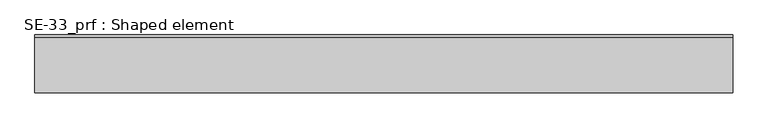
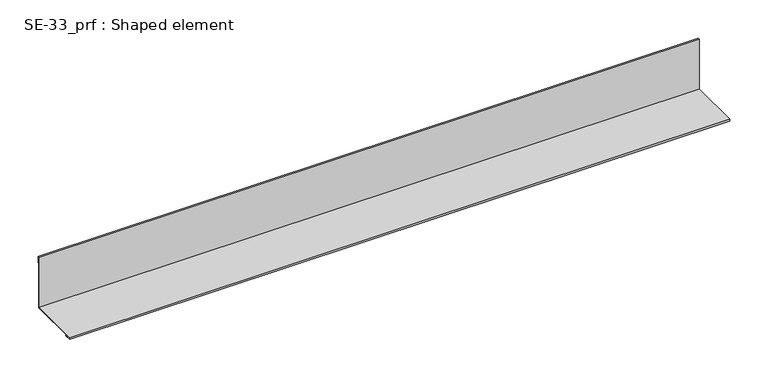
"""IFC4 building model written with IfcOpenShell, lengths in millimetres: proxy geometry, SE-33_prf : Shaped element."""

from ifc_helpers import new_model, si_unit, frame, origin, place, context, project, spatial, polyline, outline, extrude, source, transform, mapped, element, save


def se_33_prf_shaped_element_7864667e(model_context):
    return source(origin(), model_context, "Body", "SweptSolid", [
        extrude(outline(polyline([(-75.0, 2.0), (-85.0, 2.0), (-85.0, 5.0), (-5.0, 5.0), (-5.0, 85.0), (-2.0, 85.0), (-2.0, 75.0), (-3.0, 75.0), (-3.0, 84.0), (-4.0, 84.0), (-4.0, 4.0), (-84.0, 4.0), (-84.0, 3.0), (-75.0, 3.0), (-75.0, 2.0)])), frame((0.0, 0.0, 0.0), z_axis=(1.0, 0.0, 0.0), x_axis=(0.0, 1.0, 0.0)), (0.0, 0.0, 1.0), 1000.0),
    ])


if __name__ == "__main__":
    model = new_model("IFC4")
    model_context = context("Model", 3, world=origin())
    ifc_project = project(units=[si_unit("LENGTHUNIT", "METRE", prefix="MILLI")], contexts=[model_context])
    site = spatial("IfcSite", under=ifc_project)
    building = spatial("IfcBuilding", under=site)
    placement = place(None, origin())
    se_33_prf_shaped_element_shape = se_33_prf_shaped_element_7864667e(model_context)
    element("IfcBuildingElementProxy", 1, Name="SE-33_prf : Shaped element", ObjectType="SE-33_prf : Shaped element", at=placement, inside=building, context=model_context, shape_type="MappedRepresentation", body=[
        mapped(se_33_prf_shaped_element_shape, transform((0.0, 0.0, 0.0), x_axis=(1.0, 0.0, 0.0), y_axis=(0.0, 1.0, 0.0), z_axis=(0.0, 0.0, 1.0))),
    ])
    save(model, "model.ifc")
